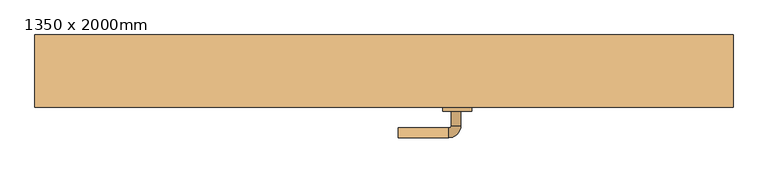
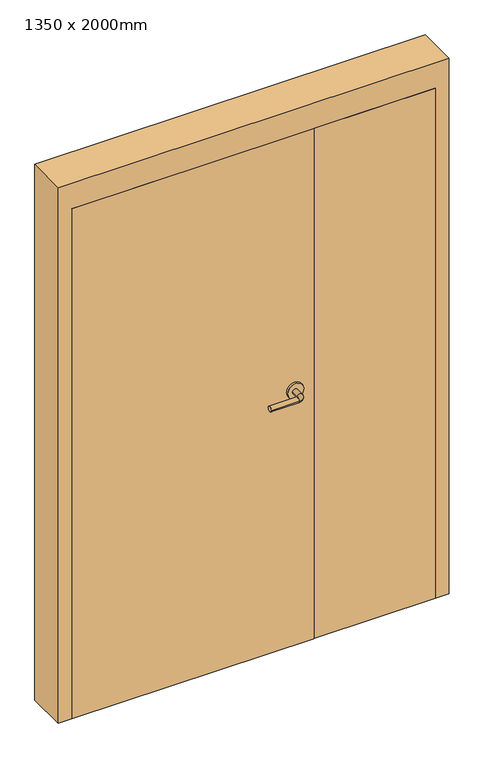
"""IFC4 building model written with IfcOpenShell, lengths in millimetres: door geometry, 1350 x 2000mm."""

import ifcopenshell
import ifcopenshell.guid

model = None  # the IFC model being written
_history = None  # IfcOwnerHistory: only IFC2X3 demands one
_inside = {}  # id of a spatial element -> (the spatial element, [elements in it])
_under = {}  # id of a project, library or spatial element -> (it, [spatial elements below it])
_declared = {}  # id of a project -> (the project, [libraries it declares])
_typed = {}  # id of a type object -> (the type object, [elements of that type])
_made_of = {}  # id of a material, layer set ... -> (it, [elements and type objects made of it])


def new_model(schema):
    """Start an empty IFC model of exactly this schema.

    Asked for "IFC4X3", IfcOpenShell would pick the latest addendum, in which some entities
    have other attributes; the version numbers below select the first issue.
    IFC2X3 requires an IfcOwnerHistory on every rooted entity: one is made here for all.
    """
    global model, _history
    if schema == "IFC4X3":
        model = ifcopenshell.file(schema_version=(4, 3, 0, 0))
    else:
        model = ifcopenshell.file(schema=schema)
    _inside.clear()
    _under.clear()
    _declared.clear()
    _typed.clear()
    _made_of.clear()
    _history = None
    if model.schema == "IFC2X3":
        org = make("IfcOrganization", Name="unknown")
        user = make(
            "IfcPersonAndOrganization",
            ThePerson=make("IfcPerson", FamilyName="unknown"),
            TheOrganization=org,
        )
        app = make(
            "IfcApplication",
            ApplicationDeveloper=org,
            Version="unknown",
            ApplicationFullName="unknown",
            ApplicationIdentifier="unknown",
        )
        _history = make(
            "IfcOwnerHistory",
            OwningUser=user,
            OwningApplication=app,
            ChangeAction="ADDED",
            CreationDate=0,
        )
    return model


def make(cls, **values):
    """One entity of the class cls with the attributes given. An attribute that is None is left unset."""
    return model.create_entity(
        cls, **{name: value for name, value in values.items() if value is not None}
    )


def rooted(cls, **values):
    """An entity with a GlobalId (a new one), such as an element, a storey or a relation."""
    return make(cls, GlobalId=ifcopenshell.guid.new(), OwnerHistory=_history, **values)


def si_unit(unit_type, name, prefix=None):
    """IfcSIUnit, for example si_unit("LENGTHUNIT", "METRE", prefix="MILLI")."""
    return make("IfcSIUnit", UnitType=unit_type, Prefix=prefix, Name=name)


def assignment(units):
    """IfcUnitAssignment: the units of a project."""
    return None if units is None else make("IfcUnitAssignment", Units=units)


def point(xyz):
    """IfcCartesianPoint."""
    return None if xyz is None else make("IfcCartesianPoint", Coordinates=xyz)


def direction(xyz):
    """IfcDirection."""
    return None if xyz is None else make("IfcDirection", DirectionRatios=xyz)


def frame(location, z_axis=None, x_axis=None):
    """IfcAxis2Placement3D, a coordinate frame: its origin and axes. An axis left out is left unset."""
    return make(
        "IfcAxis2Placement3D",
        Location=point(location),
        Axis=direction(z_axis),
        RefDirection=direction(x_axis),
    )


def frame_2d(location, x_axis=None):
    """IfcAxis2Placement2D, a coordinate frame in the plane: its origin and x axis."""
    return make(
        "IfcAxis2Placement2D", Location=point(location), RefDirection=direction(x_axis)
    )


def origin():
    """The frame at (0, 0, 0) with its axes left unset."""
    return frame((0.0, 0.0, 0.0))


def origin_with_axes():
    """The frame at (0, 0, 0) with the z axis (0, 0, 1) and the x axis (1, 0, 0) written out."""
    return frame((0.0, 0.0, 0.0), z_axis=(0.0, 0.0, 1.0), x_axis=(1.0, 0.0, 0.0))


def place(relative_to, where):
    """IfcLocalPlacement: puts the frame where relative to a parent placement (None: the world)."""
    return make(
        "IfcLocalPlacement", PlacementRelTo=relative_to, RelativePlacement=where
    )


def context(
    kind, dimensions, precision=None, world=None, true_north=None, identifier=None
):
    """IfcGeometricRepresentationContext, for example the 3D "Model" context."""
    return make(
        "IfcGeometricRepresentationContext",
        ContextIdentifier=identifier,
        ContextType=kind,
        CoordinateSpaceDimension=dimensions,
        Precision=precision,
        WorldCoordinateSystem=world,
        TrueNorth=true_north,
    )


def project(units=None, contexts=None):
    """IfcProject with its units and contexts."""
    return rooted(
        "IfcProject",
        Name="project",
        RepresentationContexts=contexts,
        UnitsInContext=assignment(units),
    )


def spatial(cls, under=None, at=None, **own):
    """A site, building, storey or space (cls), placed at a placement, below another one or the project."""
    s = rooted(cls, ObjectPlacement=at, **own)
    if under is not None:
        _under.setdefault(under.id(), (under, []))[1].append(s)
    return s


def polyline(points):
    """IfcPolyline through the points."""
    return make("IfcPolyline", Points=[point(p) for p in points])


def circle_curve(where, radius):
    """IfcCircle in the frame where."""
    return make("IfcCircle", Position=where, Radius=radius)


def ellipse_curve(where, semi_axis1, semi_axis2):
    """IfcEllipse in the frame where."""
    return make(
        "IfcEllipse", Position=where, SemiAxis1=semi_axis1, SemiAxis2=semi_axis2
    )


def trimmed(basis, trim1, trim2, sense, master):
    """IfcTrimmedCurve: the piece of a basis curve between two trims."""
    return make(
        "IfcTrimmedCurve",
        BasisCurve=basis,
        Trim1=trim1,
        Trim2=trim2,
        SenseAgreement=sense,
        MasterRepresentation=master,
    )


def segment(curve, same_sense, transition):
    """IfcCompositeCurveSegment."""
    return make(
        "IfcCompositeCurveSegment",
        Transition=transition,
        SameSense=same_sense,
        ParentCurve=curve,
    )


def composite_curve(segments, self_intersect=None):
    """IfcCompositeCurve: segments joined end to end."""
    return make("IfcCompositeCurve", Segments=segments, SelfIntersect=self_intersect)


def outline(outer, holes=None, kind="AREA"):
    """IfcArbitraryClosedProfileDef: a profile drawn as a closed curve; with holes, ...WithVoids."""
    if holes is None:
        return make("IfcArbitraryClosedProfileDef", ProfileType=kind, OuterCurve=outer)
    return make(
        "IfcArbitraryProfileDefWithVoids",
        ProfileType=kind,
        OuterCurve=outer,
        InnerCurves=holes,
    )


def extrude(swept, where, along, depth):
    """IfcExtrudedAreaSolid: the profile swept, set in the frame where, extruded along a direction by depth."""
    return make(
        "IfcExtrudedAreaSolid",
        SweptArea=swept,
        Position=where,
        ExtrudedDirection=direction(along),
        Depth=depth,
    )


def faces_of(points, faces, orient=None, outer=None):
    """IfcFace entities. A face is a list of loops; a loop is a list of indices into points, from 0.

    orient and outer hold one flag for each loop. By default every Orientation is true, the
    first loop of a face is its IfcFaceOuterBound and the others are IfcFaceBound.
    """
    made = []
    for i, loops in enumerate(faces):
        bounds = []
        for j, loop in enumerate(loops):
            is_outer = j == 0 if outer is None else outer[i][j]
            bounds.append(
                make(
                    "IfcFaceOuterBound" if is_outer else "IfcFaceBound",
                    Bound=make("IfcPolyLoop", Polygon=[points[k] for k in loop]),
                    Orientation=True if orient is None else orient[i][j],
                )
            )
        made.append(make("IfcFace", Bounds=bounds))
    return made


def faceted_brep(points, faces, orient=None, outer=None, voids=None):
    """IfcFacetedBrep: a solid bounded by flat faces; with voids (closed shells), ...WithVoids."""
    shared = [point(p) for p in points]
    hull = make("IfcClosedShell", CfsFaces=faces_of(shared, faces, orient, outer))
    if voids is None:
        return make("IfcFacetedBrep", Outer=hull)
    return make(
        "IfcFacetedBrepWithVoids",
        Outer=hull,
        Voids=[
            make(cls, CfsFaces=faces_of(shared, fs, o, b)) for cls, fs, o, b in voids
        ],
    )


def shape(context_of_items, identifier, shape_type, items):
    """IfcShapeRepresentation: the items that make up one representation, for example the "Body"."""
    return make(
        "IfcShapeRepresentation",
        ContextOfItems=context_of_items,
        RepresentationIdentifier=identifier,
        RepresentationType=shape_type,
        Items=items,
    )


def source(mapping_origin, context_of_items, identifier, shape_type, items):
    """IfcRepresentationMap: a shape defined once, which mapped items show again and again."""
    return make(
        "IfcRepresentationMap",
        MappingOrigin=mapping_origin,
        MappedRepresentation=shape(context_of_items, identifier, shape_type, items),
    )


def transform(
    local_origin,
    x_axis=None,
    y_axis=None,
    z_axis=None,
    scale=None,
    scale2=None,
    scale3=None,
    uniform=True,
):
    """IfcCartesianTransformationOperator3D, or its non-uniform kind. x_axis, y_axis, z_axis: its Axis1, 2, 3."""
    if uniform:
        return make(
            "IfcCartesianTransformationOperator3D",
            Axis1=direction(x_axis),
            Axis2=direction(y_axis),
            LocalOrigin=point(local_origin),
            Scale=scale,
            Axis3=direction(z_axis),
        )
    return make(
        "IfcCartesianTransformationOperator3DnonUniform",
        Axis1=direction(x_axis),
        Axis2=direction(y_axis),
        LocalOrigin=point(local_origin),
        Scale=scale,
        Axis3=direction(z_axis),
        Scale2=scale2,
        Scale3=scale3,
    )


def mapped(mapping_source, mapping_target):
    """IfcMappedItem: shows the shape of a source again, moved by a transform."""
    return make(
        "IfcMappedItem", MappingSource=mapping_source, MappingTarget=mapping_target
    )


def made_of(thing, what):
    """Note that an element or type object is made of a material, layer set ...; save() writes the relation."""
    if what is not None:
        _made_of.setdefault(what.id(), (what, []))[1].append(thing)
    return thing


def element(
    cls,
    number,
    at=None,
    inside=None,
    cuts=None,
    type_object=None,
    material=None,
    context=None,
    identifier="Body",
    shape_type=None,
    held_by="IfcProductDefinitionShape",
    body=None,
    shapes=None,
    **own,
):
    """One element of the class cls, such as IfcWall. Its Tag is "e" and its number.

    at: its placement. inside: the storey or other place that contains it. cuts: it is an
    opening in that element (IfcRelVoidsElement). A single representation is given by context,
    identifier, shape_type and body (its items); several are given by shapes. held_by: the class
    of the entity that holds the representations. save() writes the other relations.
    """
    e = rooted(cls, Tag="e%d" % number, ObjectPlacement=at, **own)
    if body is not None:
        shapes = [shape(context, identifier, shape_type, body)]
    if shapes is not None:
        e.Representation = make(held_by, Representations=shapes)
    if inside is not None:
        _inside.setdefault(inside.id(), (inside, []))[1].append(e)
    if cuts is not None:
        rooted(
            "IfcRelVoidsElement", RelatingBuildingElement=cuts, RelatedOpeningElement=e
        )
    if type_object is not None:
        _typed.setdefault(type_object.id(), (type_object, []))[1].append(e)
    return made_of(e, material)


def aggregate(whole, parts):
    """IfcRelAggregates: a whole, such as a stair, and the parts it consists of."""
    return rooted("IfcRelAggregates", RelatingObject=whole, RelatedObjects=parts)


def save(model, path):
    """Write the relations noted so far, then the file.

    IfcRelAggregates (storeys below a building ...), IfcRelContainedInSpatialStructure (elements
    in a storey), IfcRelDefinesByType, IfcRelAssociatesMaterial and IfcRelDeclares: one each for
    every whole, place, type object, material and project.
    """
    for whole, parts in _under.values():
        aggregate(whole, parts)
    for where, things in _inside.values():
        rooted(
            "IfcRelContainedInSpatialStructure",
            RelatedElements=things,
            RelatingStructure=where,
        )
    for kind, things in _typed.values():
        rooted("IfcRelDefinesByType", RelatedObjects=things, RelatingType=kind)
    for what, things in _made_of.values():
        rooted("IfcRelAssociatesMaterial", RelatedObjects=things, RelatingMaterial=what)
    for by, libraries in _declared.values():
        rooted("IfcRelDeclares", RelatingContext=by, RelatedDefinitions=libraries)
    model.write(path)


def plane_surface(at):
    """IfcPlane: the flat surface through the origin of the frame at, square to its z axis."""
    return make("IfcPlane", Position=at)


def cylinder_surface(at, radius):
    """IfcCylindricalSurface: all points at the distance radius from the z axis of the frame at."""
    return make("IfcCylindricalSurface", Position=at, Radius=radius)


def revolved_surface(curve, axis_point, axis_direction):
    """IfcSurfaceOfRevolution: the curve turned about the line through axis_point along axis_direction."""
    return make(
        "IfcSurfaceOfRevolution",
        SweptCurve=make("IfcArbitraryOpenProfileDef", ProfileType="CURVE", Curve=curve),
        AxisPosition=make("IfcAxis1Placement", Location=point(axis_point), Axis=direction(axis_direction)),
    )


def advanced_brep(points, edges, surfaces, faces):
    """IfcAdvancedBrep: a solid bounded by faces that lie on surfaces and meet in shared edges.

    An edge is (start, end): straight between two places in points (the first is 0);
    or (start, end, curve); or (start, end, curve, False) where it runs against its curve.
    A face is (place in surfaces, loops), or (place, loops, False) where it looks against
    its surface's normal. A loop lists edges by number (the first is 1), with a minus sign
    where the edge is run from its end to its start. The first loop is the outer one.
    """
    corners = [point(p) for p in points]
    vertices = [make("IfcVertexPoint", VertexGeometry=c) for c in corners]
    made = []
    for start, end, *more in edges:
        made.append(
            make(
                "IfcEdgeCurve",
                EdgeStart=vertices[start],
                EdgeEnd=vertices[end],
                EdgeGeometry=more[0] if more else make("IfcPolyline", Points=[corners[start], corners[end]]),
                SameSense=more[1] if len(more) > 1 else True,
            )
        )
    hull = []
    for where, loops, *sense in faces:
        bounds = []
        for j, loop in enumerate(loops):
            ring = [make("IfcOrientedEdge", EdgeElement=made[abs(k) - 1], Orientation=k > 0) for k in loop]
            bounds.append(
                make(
                    "IfcFaceOuterBound" if j == 0 else "IfcFaceBound",
                    Bound=make("IfcEdgeLoop", EdgeList=ring),
                    Orientation=True,
                )
            )
        hull.append(make("IfcAdvancedFace", Bounds=bounds, FaceSurface=surfaces[where], SameSense=sense[0] if sense else True))
    return make("IfcAdvancedBrep", Outer=make("IfcClosedShell", CfsFaces=hull))


def door_1350_x_2000mm_5ea6081c(model_context):
    return source(origin(), model_context, "Body", "SolidModel", [
        advanced_brep(
        [(159.59375, -28.35, 1000.0), (139.59375, -28.35, 1000.0), (139.59375, 1.65, 1000.0), (159.59375, 1.65, 1000.0), (134.59375, 6.65, 1000.0), (134.59375, 26.65, 1000.0), (29.59375, 26.65, 1000.0), (29.59375, 6.65, 1000.0)],
        [
            (0, 1, circle_curve(frame((149.59375, -28.35, 1000.0), z_axis=(0.0, -1.0, 0.0), x_axis=(-1.0, 0.0, 0.0)), 10.0)),
            (1, 0, circle_curve(frame((149.59375, -28.35, 1000.0), z_axis=(0.0, -1.0, 0.0), x_axis=(-1.0, 0.0, 0.0)), 10.0)),
            (1, 2),
            (2, 3, circle_curve(frame((149.59375, 1.65, 1000.0), z_axis=(0.0, -1.0, 0.0), x_axis=(-1.0, 0.0, 0.0)), 10.0)),
            (3, 0),
            (3, 2, circle_curve(frame((149.59375, 1.65, 1000.0), z_axis=(0.0, -1.0, 0.0), x_axis=(-1.0, 0.0, 0.0)), 10.0)),
            (4, 5, circle_curve(frame((134.59375, 16.65, 1000.0), z_axis=(1.0, 0.0, 0.0), x_axis=(0.0, -1.0, 0.0)), 10.0)),
            (5, 3, circle_curve(frame((134.59375, 1.65, 1000.0), z_axis=(0.0, 0.0, -1.0), x_axis=(1.0, 0.0, 0.0)), 25.0)),
            (2, 4, circle_curve(frame((134.59375, 1.65, 1000.0), z_axis=(0.0, 0.0, 1.0), x_axis=(1.0, 0.0, 0.0)), 5.0)),
            (5, 4, circle_curve(frame((134.59375, 16.65, 1000.0), z_axis=(1.0, 0.0, 0.0), x_axis=(0.0, -1.0, 0.0)), 10.0)),
            (6, 7, circle_curve(frame((29.59375, 16.65, 1000.0), z_axis=(-1.0, 0.0, 0.0), x_axis=(0.0, -1.0, 0.0)), 10.0)),
            (7, 6, circle_curve(frame((29.59375, 16.65, 1000.0), z_axis=(-1.0, 0.0, 0.0), x_axis=(0.0, -1.0, 0.0)), 10.0)),
            (4, 7),
            (6, 5),
        ],
        [
            plane_surface(frame((149.59375, -28.35, 1000.0), z_axis=(0.0, -1.0, 0.0), x_axis=(0.0, 0.0, 1.0))),
            cylinder_surface(frame((149.59375, -28.35, 1000.0), z_axis=(0.0, -1.0, 0.0), x_axis=(-1.0, 0.0, 0.0)), 10.0),
            revolved_surface(trimmed(ellipse_curve(frame((149.59375, 1.65, 1000.0), z_axis=(0.0, 1.0, 0.0), x_axis=(-1.0, 0.0, 0.0)), 10.0, 10.0), [point((159.59375, 1.65, 1000.0))], [point((139.59375, 1.65, 1000.0))], True, "CARTESIAN"), (134.59375, 1.65, 1000.0), (0.0, 0.0, -1.0)),
            revolved_surface(trimmed(ellipse_curve(frame((149.59375, 1.65, 1000.0), z_axis=(0.0, 1.0, 0.0), x_axis=(-1.0, 0.0, 0.0)), 10.0, 10.0), [point((139.59375, 1.65, 1000.0))], [point((159.59375, 1.65, 1000.0))], True, "CARTESIAN"), (134.59375, 1.65, 1000.0), (0.0, 0.0, -1.0)),
            plane_surface(frame((29.59375, 16.65, 1000.0), z_axis=(-1.0, 0.0, 0.0), x_axis=(0.0, 0.0, 1.0))),
            cylinder_surface(frame((134.59375, 16.65, 1000.0), z_axis=(1.0, 0.0, 0.0), x_axis=(0.0, -1.0, 0.0)), 10.0),
        ],
        [
            (0, [[1, 2]]),
            (1, [[3, 4, 5, -2]]),
            (1, [[-5, 6, -3, -1]]),
            (2, [[7, 8, -4, 9]]),
            (3, [[10, -9, -6, -8]]),
            (4, [[11, 12]]),
            (5, [[13, -11, 14, -7]]),
            (5, [[-14, -12, -13, -10]]),
        ],
    ),
        extrude(outline(composite_curve([segment(trimmed(circle_curve(frame_2d((1000.0, 152.09375)), 30.0), [point((1000.0, 182.09375))], [point((1000.0, 122.09375))], False, "CARTESIAN"), True, "CONTINUOUS"), segment(trimmed(circle_curve(frame_2d((1000.0, 152.09375)), 30.0), [point((1000.0, 122.09375))], [point((1000.0, 182.09375))], False, "CARTESIAN"), True, "CONTINUOUS")], self_intersect=False)), frame((0.0, -36.35, 0.0), z_axis=(0.0, 1.0, 0.0), x_axis=(0.0, 0.0, 1.0)), (0.0, 0.0, 1.0), 8.0),
        advanced_brep(
        [(159.59375, -89.35, 1000.0), (139.59375, -89.35, 1000.0), (159.59375, -119.35, 1000.0), (139.59375, -119.35, 1000.0), (134.59375, -124.35, 1000.0), (134.59375, -144.35, 1000.0), (29.59375, -144.35, 1000.0), (29.59375, -124.35, 1000.0)],
        [
            (0, 1, circle_curve(frame((149.59375, -89.35, 1000.0), z_axis=(0.0, 1.0, 0.0), x_axis=(-1.0, 0.0, 0.0)), 10.0)),
            (1, 0, circle_curve(frame((149.59375, -89.35, 1000.0), z_axis=(0.0, 1.0, 0.0), x_axis=(-1.0, 0.0, 0.0)), 10.0)),
            (0, 2),
            (2, 3, circle_curve(frame((149.59375, -119.35, 1000.0), z_axis=(0.0, 1.0, 0.0), x_axis=(-1.0, 0.0, 0.0)), 10.0)),
            (3, 1),
            (3, 2, circle_curve(frame((149.59375, -119.35, 1000.0), z_axis=(0.0, 1.0, 0.0), x_axis=(-1.0, 0.0, 0.0)), 10.0)),
            (4, 3, circle_curve(frame((134.59375, -119.35, 1000.0), z_axis=(0.0, 0.0, 1.0), x_axis=(1.0, 0.0, 0.0)), 5.0)),
            (2, 5, circle_curve(frame((134.59375, -119.35, 1000.0), z_axis=(0.0, 0.0, -1.0), x_axis=(1.0, 0.0, 0.0)), 25.0)),
            (5, 4, circle_curve(frame((134.59375, -134.35, 1000.0), z_axis=(1.0, 0.0, 0.0), x_axis=(0.0, 1.0, 0.0)), 10.0)),
            (4, 5, circle_curve(frame((134.59375, -134.35, 1000.0), z_axis=(1.0, 0.0, 0.0), x_axis=(0.0, 1.0, 0.0)), 10.0)),
            (6, 7, circle_curve(frame((29.59375, -134.35, 1000.0), z_axis=(-1.0, 0.0, 0.0), x_axis=(0.0, 1.0, 0.0)), 10.0)),
            (7, 6, circle_curve(frame((29.59375, -134.35, 1000.0), z_axis=(-1.0, 0.0, 0.0), x_axis=(0.0, 1.0, 0.0)), 10.0)),
            (5, 6),
            (7, 4),
        ],
        [
            plane_surface(frame((149.59375, -89.35, 1000.0), z_axis=(0.0, 1.0, 0.0), x_axis=(0.0, 0.0, 1.0))),
            cylinder_surface(frame((149.59375, -89.35, 1000.0), z_axis=(0.0, 1.0, 0.0), x_axis=(-1.0, 0.0, 0.0)), 10.0),
            revolved_surface(trimmed(ellipse_curve(frame((149.59375, -119.35, 1000.0), z_axis=(0.0, 1.0, 0.0), x_axis=(-1.0, 0.0, 0.0)), 10.0, 10.0), [point((159.59375, -119.35, 1000.0))], [point((139.59375, -119.35, 1000.0))], True, "CARTESIAN"), (134.59375, -119.35, 1000.0), (0.0, 0.0, -1.0)),
            revolved_surface(trimmed(ellipse_curve(frame((149.59375, -119.35, 1000.0), z_axis=(0.0, 1.0, 0.0), x_axis=(-1.0, 0.0, 0.0)), 10.0, 10.0), [point((139.59375, -119.35, 1000.0))], [point((159.59375, -119.35, 1000.0))], True, "CARTESIAN"), (134.59375, -119.35, 1000.0), (0.0, 0.0, -1.0)),
            plane_surface(frame((29.59375, -134.35, 1000.0), z_axis=(-1.0, 0.0, 0.0), x_axis=(0.0, 0.0, 1.0))),
            cylinder_surface(frame((134.59375, -134.35, 1000.0), z_axis=(1.0, 0.0, 0.0), x_axis=(0.0, 1.0, 0.0)), 10.0),
        ],
        [
            (0, [[1, 2]]),
            (1, [[-1, 3, 4, 5]]),
            (1, [[-2, -5, 6, -3]]),
            (2, [[7, -4, 8, 9]]),
            (3, [[-8, -6, -7, 10]]),
            (4, [[11, 12]]),
            (5, [[-9, 13, -12, 14]]),
            (5, [[-10, -14, -11, -13]]),
        ],
    ),
        extrude(outline(composite_curve([segment(trimmed(circle_curve(frame_2d((1000.0, 152.09375)), 30.0), [point((1000.0, 182.09375))], [point((1000.0, 122.09375))], False, "CARTESIAN"), True, "CONTINUOUS"), segment(trimmed(circle_curve(frame_2d((1000.0, 152.09375)), 30.0), [point((1000.0, 122.09375))], [point((1000.0, 182.09375))], False, "CARTESIAN"), True, "CONTINUOUS")], self_intersect=False)), frame((0.0, -89.35, 0.0), z_axis=(0.0, 1.0, 0.0), x_axis=(0.0, 0.0, 1.0)), (0.0, 0.0, 1.0), 8.0),
        extrude(outline(polyline([(675.0, -36.35), (675.0, -81.35), (226.6, -81.35), (226.6, -36.35), (675.0, -36.35)])), origin_with_axes(), (0.0, 0.0, 1.0), 2000.0),
        faceted_brep([(675.0, -31.5875, 0.0), (659.125, -31.5875, 0.0), (659.125, 19.4375, 0.0), (675.0, 19.4375, 0.0), (675.0, 68.65, 0.0), (725.0, 68.65, 0.0), (725.0, -81.35, 0.0), (675.0, -81.35, 0.0), (675.0, -81.35, 2000.0), (675.0, -31.5875, 2000.0), (725.0, -81.35, 2100.0), (-725.0, -81.35, 2100.0), (-725.0, -81.35, 0.0), (-675.0, -81.35, 0.0), (-675.0, -81.35, 2000.0), (725.0, 68.65, 2100.0), (675.0, 68.65, 2000.0), (-675.0, 68.65, 2000.0), (-675.0, 68.65, 0.0), (-725.0, 68.65, 0.0), (-725.0, 68.65, 2100.0), (675.0, 19.4375, 2000.0), (659.125, 19.4375, 1984.125), (-659.125, 19.4375, 1984.125), (-659.125, 19.4375, 0.0), (-675.0, 19.4375, 0.0), (-675.0, 19.4375, 2000.0), (659.125, -31.5875, 1984.125), (-675.0, -31.5875, 2000.0), (-675.0, -31.5875, 0.0), (-659.125, -31.5875, 0.0), (-659.125, -31.5875, 1984.125)], [[[0, 1, 2, 3, 4, 5, 6, 7]], [[7, 8, 9, 0]], [[6, 10, 11, 12, 13, 14, 8, 7]], [[5, 15, 10, 6]], [[4, 16, 17, 18, 19, 20, 15, 5]], [[3, 21, 16, 4]], [[2, 22, 23, 24, 25, 26, 21, 3]], [[1, 27, 22, 2]], [[0, 9, 28, 29, 30, 31, 27, 1]], [[8, 14, 28, 9]], [[16, 21, 26, 17]], [[22, 27, 31, 23]], [[12, 19, 18, 25, 24, 30, 29, 13]], [[13, 29, 28, 14]], [[11, 20, 19, 12]], [[17, 26, 25, 18]], [[23, 31, 30, 24]], [[15, 20, 11, 10]]]),
        extrude(outline(polyline([(223.4, -36.35), (223.4, -81.35), (-675.0, -81.35), (-675.0, -36.35), (223.4, -36.35)])), origin_with_axes(), (0.0, 0.0, 1.0), 2000.0),
    ])


if __name__ == "__main__":
    model = new_model("IFC4")
    model_context = context("Model", 3, world=origin())
    ifc_project = project(units=[si_unit("LENGTHUNIT", "METRE", prefix="MILLI")], contexts=[model_context])
    site = spatial("IfcSite", under=ifc_project)
    building = spatial("IfcBuilding", under=site)
    placement = place(None, origin())
    door_1350_x_2000mm_shape = door_1350_x_2000mm_5ea6081c(model_context)
    element("IfcDoor", 1, ObjectType="1350 x 2000mm", at=placement, inside=building, context=model_context, shape_type="MappedRepresentation", body=[
        mapped(door_1350_x_2000mm_shape, transform((0.0, 0.0, 0.0), x_axis=(1.0, 0.0, 0.0), y_axis=(0.0, 1.0, 0.0), z_axis=(0.0, 0.0, 1.0))),
    ])
    save(model, "model.ifc")
